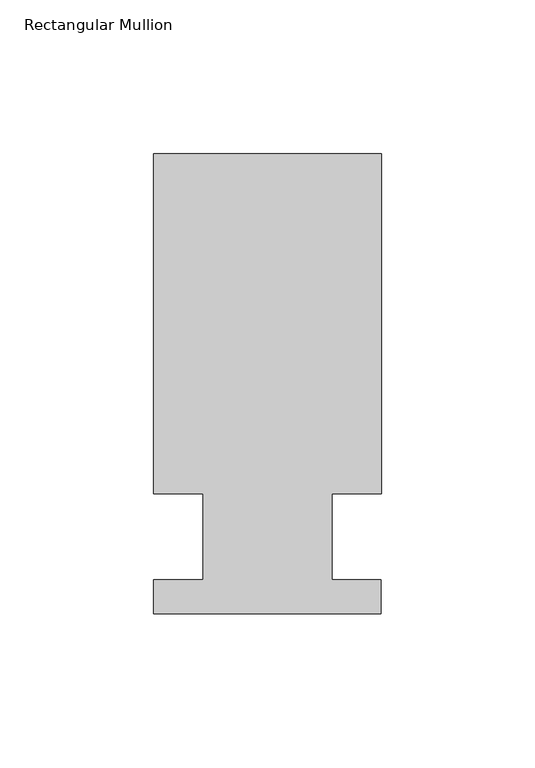
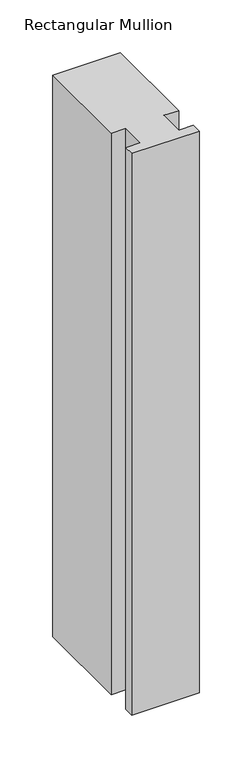
"""IFC4 building model written with IfcOpenShell, lengths in millimetres: member geometry, Rectangular Mullion."""

from ifc_helpers import new_model, si_unit, frame, origin, place, context, project, spatial, polyline, outline, extrude, source, transform, mapped, element, save


def rectangular_mullion_ebbbd91a(model_context):
    return source(origin(), model_context, "Body", "SweptSolid", [
        extrude(outline(polyline([(-20.9800745, 13.9998907), (-37.0, 13.9998907), (-37.0, 124.5), (37.0, 124.5), (37.0, 13.9998907), (20.9800745, 13.9998907), (20.9800745, -14.0), (36.9800745, -14.0), (36.9800745, -25.0), (-37.0, -25.0), (-37.0, -14.0), (-20.9800745, -14.0), (-20.9800745, 13.9998907)])), frame((0.0, 0.0, -650.20085), z_axis=(0.0, 0.0, 1.0), x_axis=(1.0, 0.0, 0.0)), (0.0, 0.0, 1.0), 650.20085),
    ])


if __name__ == "__main__":
    model = new_model("IFC4")
    model_context = context("Model", 3, world=origin())
    ifc_project = project(units=[si_unit("LENGTHUNIT", "METRE", prefix="MILLI")], contexts=[model_context])
    site = spatial("IfcSite", under=ifc_project)
    building = spatial("IfcBuilding", under=site)
    placement = place(None, origin())
    rectangular_mullion_shape = rectangular_mullion_ebbbd91a(model_context)
    element("IfcMember", 1, ObjectType="Rectangular Mullion", at=placement, inside=building, context=model_context, shape_type="MappedRepresentation", body=[
        mapped(rectangular_mullion_shape, transform((0.0, 0.0, 0.0), x_axis=(1.0, 0.0, 0.0), y_axis=(0.0, 1.0, 0.0), z_axis=(0.0, 0.0, 1.0))),
    ])
    save(model, "model.ifc")
